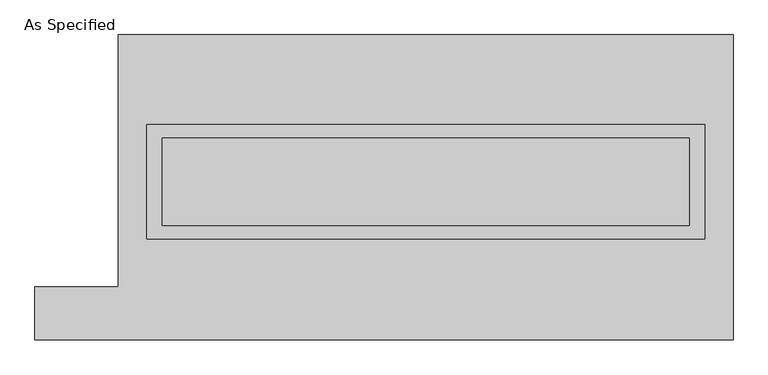
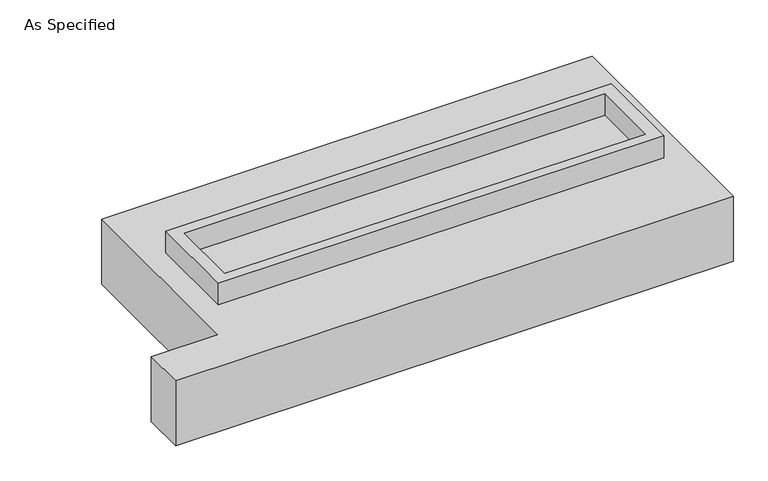
"""IFC4 building model written with IfcOpenShell, lengths in millimetres: proxy geometry, As Specified."""

from ifc_helpers import new_model, si_unit, frame, origin, place, context, project, spatial, polyline, outline, extrude, faceted_brep, source, transform, mapped, element, save


def as_specified_ee3d9b25(model_context):
    return source(origin(), model_context, "Body", "SolidModel", [
        extrude(outline(polyline([(1612.9, 361.95), (1612.9, -298.45), (-1612.9, -298.45), (-1612.9, 361.95), (1612.9, 361.95)]), holes=[polyline([(1524.0, 285.75), (-1524.0, 285.75), (-1524.0, -222.25), (1524.0, -222.25), (1524.0, 285.75)])]), frame((0.0, 0.0, -25.4), z_axis=(0.0, 0.0, 1.0), x_axis=(1.0, 0.0, 0.0)), (0.0, 0.0, 1.0), 165.1),
        extrude(outline(polyline([(1524.0, 285.75), (1524.0, -222.25), (-1524.0, -222.25), (-1524.0, 285.75), (1524.0, 285.75)])), frame((0.0, 0.0, -30.3609375), z_axis=(0.0, 0.0, 1.0), x_axis=(1.0, 0.0, 0.0)), (0.0, 0.0, 1.0), 4.9609375),
        faceted_brep([(-1778.0, 882.65, -523.875), (1778.0, 882.65, -523.875), (1778.0, -882.65, -523.875), (-2260.6, -882.65, -523.875), (-2260.6, -577.85, -523.875), (-1778.0, -577.85, -523.875), (1778.0, 882.65, -25.4), (-1778.0, 882.65, -25.4), (-1778.0, -577.85, -25.4), (-2260.6, -577.85, -25.4), (-2260.6, -882.65, -25.4), (1778.0, -882.65, -25.4), (-1612.9, -298.45, -25.4), (-1612.9, 361.95, -25.4), (1612.9, 361.95, -25.4), (1612.9, -298.45, -25.4), (1612.9, 361.95, -498.475), (-1612.9, 361.95, -498.475), (-1612.9, -298.45, -498.475), (1612.9, -298.45, -498.475)], [[[0, 1, 2, 3, 4, 5]], [[6, 7, 8, 9, 10, 11], [12, 13, 14, 15]], [[1, 0, 7, 6]], [[7, 0, 5, 8]], [[1, 6, 11, 2]], [[16, 17, 18, 19]], [[18, 17, 13, 12]], [[17, 16, 14, 13]], [[16, 19, 15, 14]], [[12, 15, 19, 18]], [[3, 2, 11, 10]], [[5, 4, 9, 8]], [[4, 3, 10, 9]]]),
    ])


if __name__ == "__main__":
    model = new_model("IFC4")
    model_context = context("Model", 3, world=origin())
    ifc_project = project(units=[si_unit("LENGTHUNIT", "METRE", prefix="MILLI")], contexts=[model_context])
    site = spatial("IfcSite", under=ifc_project)
    building = spatial("IfcBuilding", under=site)
    placement = place(None, origin())
    as_specified_shape = as_specified_ee3d9b25(model_context)
    element("IfcBuildingElementProxy", 1, Name="As Specified", ObjectType="As Specified", at=placement, inside=building, context=model_context, shape_type="MappedRepresentation", body=[
        mapped(as_specified_shape, transform((0.0, 0.0, 0.0), x_axis=(1.0, 0.0, 0.0), y_axis=(0.0, 1.0, 0.0), z_axis=(0.0, 0.0, 1.0))),
    ])
    save(model, "model.ifc")
